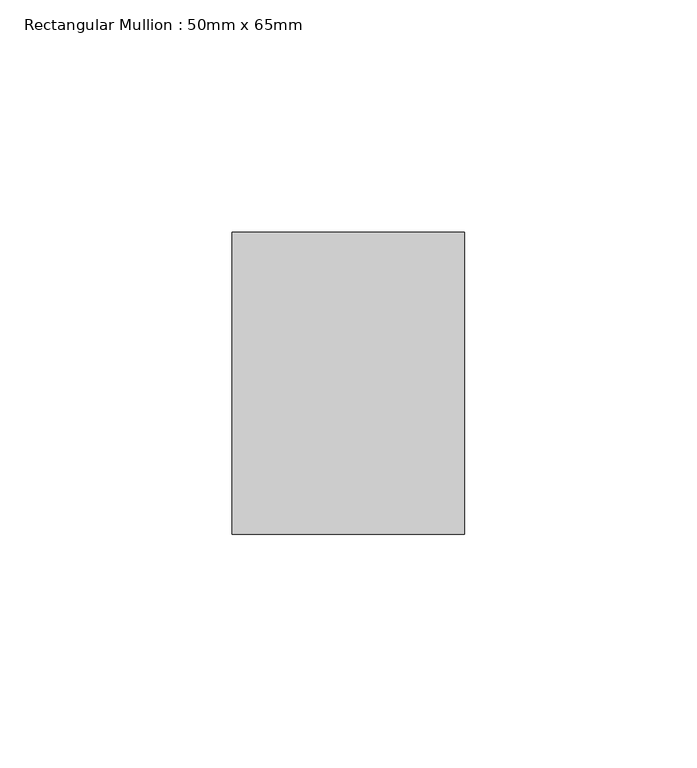
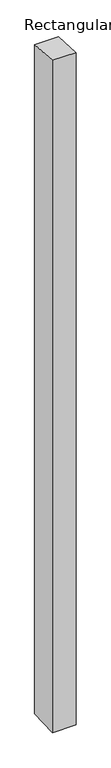
"""IFC4 building model written with IfcOpenShell, lengths in millimetres: member geometry, Rectangular Mullion : 50mm x 65mm."""

from ifc_helpers import new_model, si_unit, origin, place, context, project, spatial, faceted_brep, source, transform, mapped, element, save


def rectangular_mullion_50mm_x_65mm_9765b2b2(model_context):
    return source(origin(), model_context, "Body", "Brep", [
        faceted_brep([(-25.0, 32.5, -2.1659786), (25.0, 32.5, -2.1659775), (25.0, 32.5, -1498.7588487), (-25.0, 32.5, -1498.758848), (-25.0, -32.5, 2.1659775), (-25.0, -32.5, -1501.2410308), (25.0, -32.5, 2.1659786), (25.0, -32.5, -1501.2410314)], [[[0, 1, 2, 3]], [[4, 0, 3, 5]], [[6, 4, 5, 7]], [[1, 6, 7, 2]], [[1, 0, 4, 6]], [[2, 7, 5, 3]]]),
    ])


if __name__ == "__main__":
    model = new_model("IFC4")
    model_context = context("Model", 3, world=origin())
    ifc_project = project(units=[si_unit("LENGTHUNIT", "METRE", prefix="MILLI")], contexts=[model_context])
    site = spatial("IfcSite", under=ifc_project)
    building = spatial("IfcBuilding", under=site)
    placement = place(None, origin())
    rectangular_mullion_50mm_x_65mm_shape = rectangular_mullion_50mm_x_65mm_9765b2b2(model_context)
    element("IfcMember", 1, ObjectType="Rectangular Mullion : 50mm x 65mm", at=placement, inside=building, context=model_context, shape_type="MappedRepresentation", body=[
        mapped(rectangular_mullion_50mm_x_65mm_shape, transform((0.0, 0.0, 0.0), x_axis=(1.0, 0.0, 0.0), y_axis=(0.0, 1.0, 0.0), z_axis=(0.0, 0.0, 1.0))),
    ])
    save(model, "model.ifc")
